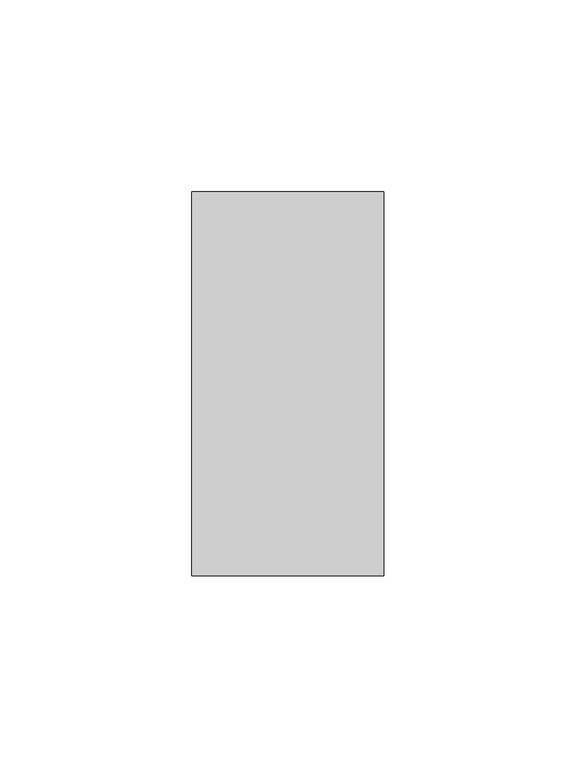
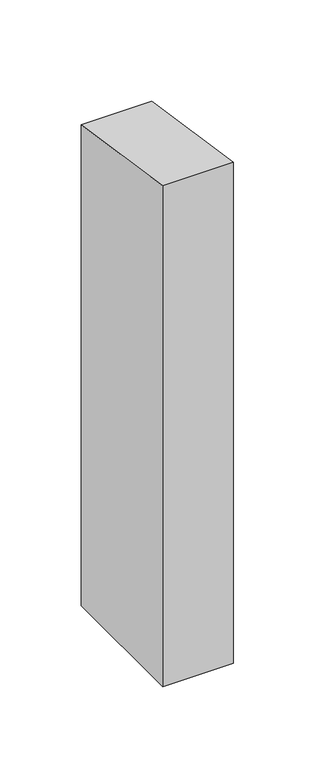
"""IFC4 building model written with IfcOpenShell, lengths in millimetres: member geometry."""

import ifcopenshell
import ifcopenshell.guid

model = None  # the IFC model being written
_history = None  # IfcOwnerHistory: only IFC2X3 demands one
_inside = {}  # id of a spatial element -> (the spatial element, [elements in it])
_under = {}  # id of a project, library or spatial element -> (it, [spatial elements below it])
_declared = {}  # id of a project -> (the project, [libraries it declares])
_typed = {}  # id of a type object -> (the type object, [elements of that type])
_made_of = {}  # id of a material, layer set ... -> (it, [elements and type objects made of it])


def new_model(schema):
    """Start an empty IFC model of exactly this schema.

    Asked for "IFC4X3", IfcOpenShell would pick the latest addendum, in which some entities
    have other attributes; the version numbers below select the first issue.
    IFC2X3 requires an IfcOwnerHistory on every rooted entity: one is made here for all.
    """
    global model, _history
    if schema == "IFC4X3":
        model = ifcopenshell.file(schema_version=(4, 3, 0, 0))
    else:
        model = ifcopenshell.file(schema=schema)
    _inside.clear()
    _under.clear()
    _declared.clear()
    _typed.clear()
    _made_of.clear()
    _history = None
    if model.schema == "IFC2X3":
        org = make("IfcOrganization", Name="unknown")
        user = make(
            "IfcPersonAndOrganization",
            ThePerson=make("IfcPerson", FamilyName="unknown"),
            TheOrganization=org,
        )
        app = make(
            "IfcApplication",
            ApplicationDeveloper=org,
            Version="unknown",
            ApplicationFullName="unknown",
            ApplicationIdentifier="unknown",
        )
        _history = make(
            "IfcOwnerHistory",
            OwningUser=user,
            OwningApplication=app,
            ChangeAction="ADDED",
            CreationDate=0,
        )
    return model


def make(cls, **values):
    """One entity of the class cls with the attributes given. An attribute that is None is left unset."""
    return model.create_entity(
        cls, **{name: value for name, value in values.items() if value is not None}
    )


def rooted(cls, **values):
    """An entity with a GlobalId (a new one), such as an element, a storey or a relation."""
    return make(cls, GlobalId=ifcopenshell.guid.new(), OwnerHistory=_history, **values)


def si_unit(unit_type, name, prefix=None):
    """IfcSIUnit, for example si_unit("LENGTHUNIT", "METRE", prefix="MILLI")."""
    return make("IfcSIUnit", UnitType=unit_type, Prefix=prefix, Name=name)


def assignment(units):
    """IfcUnitAssignment: the units of a project."""
    return None if units is None else make("IfcUnitAssignment", Units=units)


def point(xyz):
    """IfcCartesianPoint."""
    return None if xyz is None else make("IfcCartesianPoint", Coordinates=xyz)


def direction(xyz):
    """IfcDirection."""
    return None if xyz is None else make("IfcDirection", DirectionRatios=xyz)


def frame(location, z_axis=None, x_axis=None):
    """IfcAxis2Placement3D, a coordinate frame: its origin and axes. An axis left out is left unset."""
    return make(
        "IfcAxis2Placement3D",
        Location=point(location),
        Axis=direction(z_axis),
        RefDirection=direction(x_axis),
    )


def origin():
    """The frame at (0, 0, 0) with its axes left unset."""
    return frame((0.0, 0.0, 0.0))


def place(relative_to, where):
    """IfcLocalPlacement: puts the frame where relative to a parent placement (None: the world)."""
    return make(
        "IfcLocalPlacement", PlacementRelTo=relative_to, RelativePlacement=where
    )


def context(
    kind, dimensions, precision=None, world=None, true_north=None, identifier=None
):
    """IfcGeometricRepresentationContext, for example the 3D "Model" context."""
    return make(
        "IfcGeometricRepresentationContext",
        ContextIdentifier=identifier,
        ContextType=kind,
        CoordinateSpaceDimension=dimensions,
        Precision=precision,
        WorldCoordinateSystem=world,
        TrueNorth=true_north,
    )


def project(units=None, contexts=None):
    """IfcProject with its units and contexts."""
    return rooted(
        "IfcProject",
        Name="project",
        RepresentationContexts=contexts,
        UnitsInContext=assignment(units),
    )


def spatial(cls, under=None, at=None, **own):
    """A site, building, storey or space (cls), placed at a placement, below another one or the project."""
    s = rooted(cls, ObjectPlacement=at, **own)
    if under is not None:
        _under.setdefault(under.id(), (under, []))[1].append(s)
    return s


def polyline(points):
    """IfcPolyline through the points."""
    return make("IfcPolyline", Points=[point(p) for p in points])


def outline(outer, holes=None, kind="AREA"):
    """IfcArbitraryClosedProfileDef: a profile drawn as a closed curve; with holes, ...WithVoids."""
    if holes is None:
        return make("IfcArbitraryClosedProfileDef", ProfileType=kind, OuterCurve=outer)
    return make(
        "IfcArbitraryProfileDefWithVoids",
        ProfileType=kind,
        OuterCurve=outer,
        InnerCurves=holes,
    )


def extrude(swept, where, along, depth):
    """IfcExtrudedAreaSolid: the profile swept, set in the frame where, extruded along a direction by depth."""
    return make(
        "IfcExtrudedAreaSolid",
        SweptArea=swept,
        Position=where,
        ExtrudedDirection=direction(along),
        Depth=depth,
    )


def shape(context_of_items, identifier, shape_type, items):
    """IfcShapeRepresentation: the items that make up one representation, for example the "Body"."""
    return make(
        "IfcShapeRepresentation",
        ContextOfItems=context_of_items,
        RepresentationIdentifier=identifier,
        RepresentationType=shape_type,
        Items=items,
    )


def source(mapping_origin, context_of_items, identifier, shape_type, items):
    """IfcRepresentationMap: a shape defined once, which mapped items show again and again."""
    return make(
        "IfcRepresentationMap",
        MappingOrigin=mapping_origin,
        MappedRepresentation=shape(context_of_items, identifier, shape_type, items),
    )


def transform(
    local_origin,
    x_axis=None,
    y_axis=None,
    z_axis=None,
    scale=None,
    scale2=None,
    scale3=None,
    uniform=True,
):
    """IfcCartesianTransformationOperator3D, or its non-uniform kind. x_axis, y_axis, z_axis: its Axis1, 2, 3."""
    if uniform:
        return make(
            "IfcCartesianTransformationOperator3D",
            Axis1=direction(x_axis),
            Axis2=direction(y_axis),
            LocalOrigin=point(local_origin),
            Scale=scale,
            Axis3=direction(z_axis),
        )
    return make(
        "IfcCartesianTransformationOperator3DnonUniform",
        Axis1=direction(x_axis),
        Axis2=direction(y_axis),
        LocalOrigin=point(local_origin),
        Scale=scale,
        Axis3=direction(z_axis),
        Scale2=scale2,
        Scale3=scale3,
    )


def mapped(mapping_source, mapping_target):
    """IfcMappedItem: shows the shape of a source again, moved by a transform."""
    return make(
        "IfcMappedItem", MappingSource=mapping_source, MappingTarget=mapping_target
    )


def made_of(thing, what):
    """Note that an element or type object is made of a material, layer set ...; save() writes the relation."""
    if what is not None:
        _made_of.setdefault(what.id(), (what, []))[1].append(thing)
    return thing


def element(
    cls,
    number,
    at=None,
    inside=None,
    cuts=None,
    type_object=None,
    material=None,
    context=None,
    identifier="Body",
    shape_type=None,
    held_by="IfcProductDefinitionShape",
    body=None,
    shapes=None,
    **own,
):
    """One element of the class cls, such as IfcWall. Its Tag is "e" and its number.

    at: its placement. inside: the storey or other place that contains it. cuts: it is an
    opening in that element (IfcRelVoidsElement). A single representation is given by context,
    identifier, shape_type and body (its items); several are given by shapes. held_by: the class
    of the entity that holds the representations. save() writes the other relations.
    """
    e = rooted(cls, Tag="e%d" % number, ObjectPlacement=at, **own)
    if body is not None:
        shapes = [shape(context, identifier, shape_type, body)]
    if shapes is not None:
        e.Representation = make(held_by, Representations=shapes)
    if inside is not None:
        _inside.setdefault(inside.id(), (inside, []))[1].append(e)
    if cuts is not None:
        rooted(
            "IfcRelVoidsElement", RelatingBuildingElement=cuts, RelatedOpeningElement=e
        )
    if type_object is not None:
        _typed.setdefault(type_object.id(), (type_object, []))[1].append(e)
    return made_of(e, material)


def aggregate(whole, parts):
    """IfcRelAggregates: a whole, such as a stair, and the parts it consists of."""
    return rooted("IfcRelAggregates", RelatingObject=whole, RelatedObjects=parts)


def save(model, path):
    """Write the relations noted so far, then the file.

    IfcRelAggregates (storeys below a building ...), IfcRelContainedInSpatialStructure (elements
    in a storey), IfcRelDefinesByType, IfcRelAssociatesMaterial and IfcRelDeclares: one each for
    every whole, place, type object, material and project.
    """
    for whole, parts in _under.values():
        aggregate(whole, parts)
    for where, things in _inside.values():
        rooted(
            "IfcRelContainedInSpatialStructure",
            RelatedElements=things,
            RelatingStructure=where,
        )
    for kind, things in _typed.values():
        rooted("IfcRelDefinesByType", RelatedObjects=things, RelatingType=kind)
    for what, things in _made_of.values():
        rooted("IfcRelAssociatesMaterial", RelatedObjects=things, RelatingMaterial=what)
    for by, libraries in _declared.values():
        rooted("IfcRelDeclares", RelatingContext=by, RelatedDefinitions=libraries)
    model.write(path)


def member_02b076ae(model_context):
    return source(origin(), model_context, "Body", "SweptSolid", [
        extrude(outline(polyline([(-50.0, 7.4729751), (50.0, -7.4729751), (50.0, -368.4728289), (-50.0, -368.4728289), (-50.0, 7.4729751)])), frame((-50.0, 0.0, 0.0), z_axis=(1.0, 0.0, 0.0), x_axis=(0.0, 1.0, 0.0)), (0.0, 0.0, 1.0), 50.0),
    ])


if __name__ == "__main__":
    model = new_model("IFC4")
    model_context = context("Model", 3, world=origin())
    ifc_project = project(units=[si_unit("LENGTHUNIT", "METRE", prefix="MILLI")], contexts=[model_context])
    site = spatial("IfcSite", under=ifc_project)
    building = spatial("IfcBuilding", under=site)
    placement = place(None, origin())
    member_shape = member_02b076ae(model_context)
    element("IfcMember", 1, at=placement, inside=building, context=model_context, shape_type="MappedRepresentation", body=[
        mapped(member_shape, transform((0.0, 0.0, 0.0), x_axis=(1.0, 0.0, 0.0), y_axis=(0.0, 1.0, 0.0), z_axis=(0.0, 0.0, 1.0))),
    ])
    save(model, "model.ifc")
